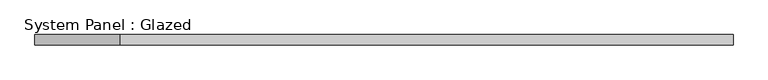
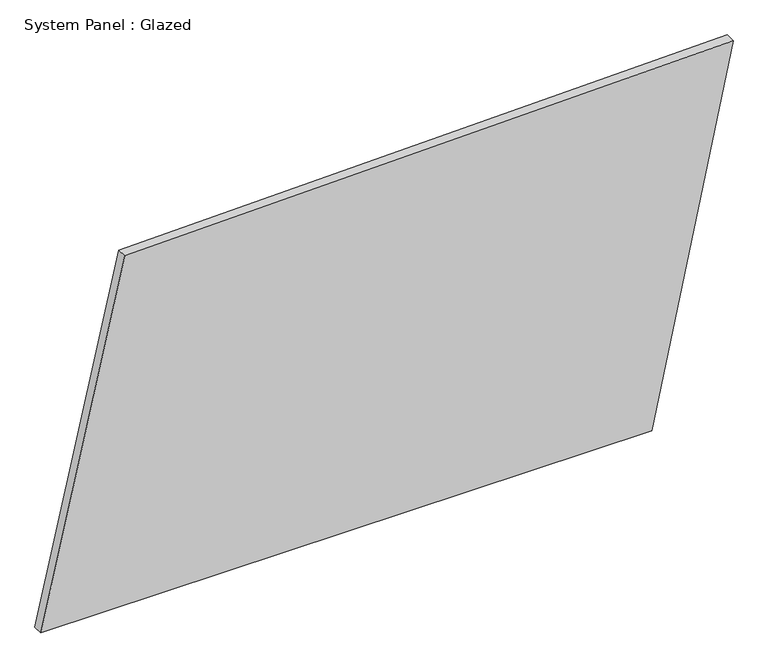
"""IFC4 building model written with IfcOpenShell, lengths in millimetres: plate geometry, System Panel : Glazed."""

from ifc_helpers import new_model, si_unit, frame, origin, place, context, project, spatial, polyline, outline, extrude, source, transform, mapped, element, save


def system_panel_glazed_def958a1(model_context):
    return source(origin(), model_context, "Body", "SweptSolid", [
        extrude(outline(polyline([(0.0, -853.6316256), (0.0, 652.7687968), (946.2151153, 853.6316256), (910.3897526, -646.7469574), (0.0, -853.6316256)])), frame((0.0, -49.5, 0.0), z_axis=(0.0, 1.0, 0.0), x_axis=(0.0, 0.0, 1.0)), (0.0, 0.0, 1.0), 25.0),
    ])


if __name__ == "__main__":
    model = new_model("IFC4")
    model_context = context("Model", 3, world=origin())
    ifc_project = project(units=[si_unit("LENGTHUNIT", "METRE", prefix="MILLI")], contexts=[model_context])
    site = spatial("IfcSite", under=ifc_project)
    building = spatial("IfcBuilding", under=site)
    placement = place(None, origin())
    system_panel_glazed_shape = system_panel_glazed_def958a1(model_context)
    element("IfcPlate", 1, ObjectType="System Panel : Glazed", at=placement, inside=building, context=model_context, shape_type="MappedRepresentation", body=[
        mapped(system_panel_glazed_shape, transform((0.0, 0.0, 0.0), x_axis=(1.0, 0.0, 0.0), y_axis=(0.0, 1.0, 0.0), z_axis=(0.0, 0.0, 1.0))),
    ])
    save(model, "model.ifc")
